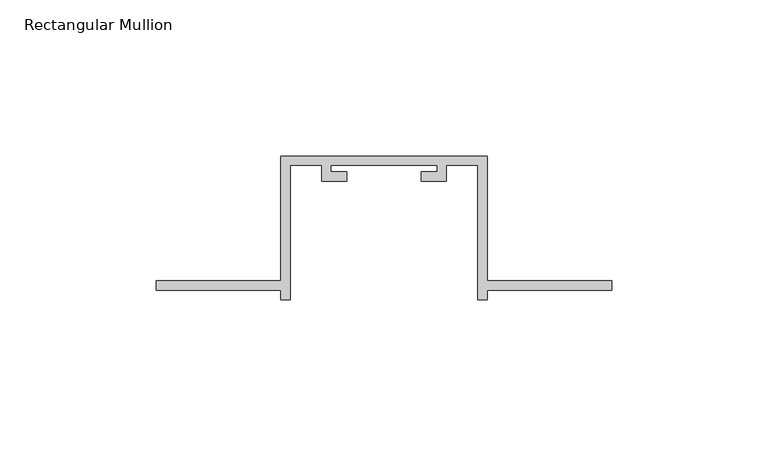
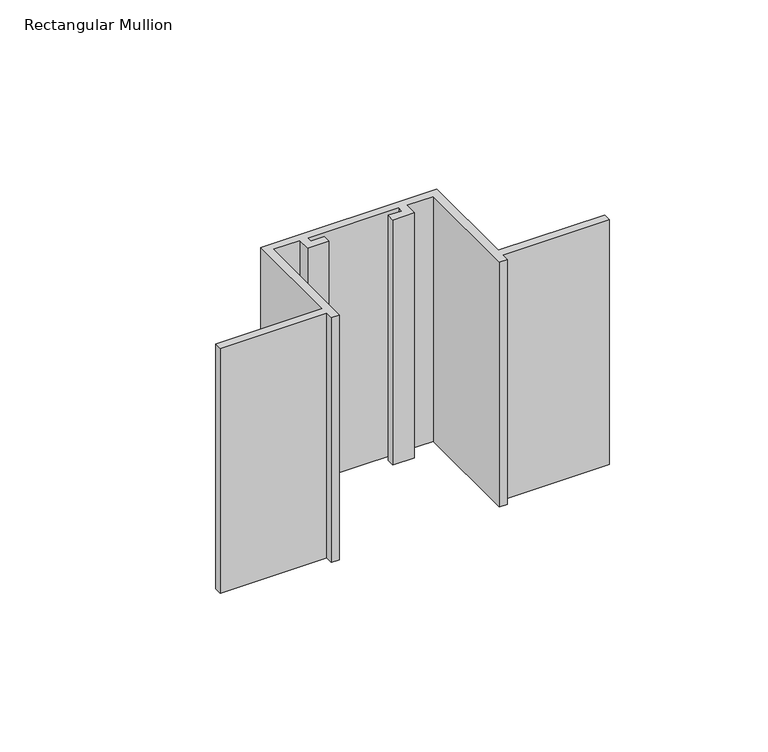
"""IFC4 building model written with IfcOpenShell, lengths in millimetres: member geometry, Rectangular Mullion."""

from ifc_helpers import new_model, si_unit, frame, origin, place, context, project, spatial, polyline, outline, extrude, source, transform, mapped, element, save


def rectangular_mullion_fe71d22a(model_context):
    return source(origin(), model_context, "Body", "SweptSolid", [
        extrude(outline(polyline([(-33.0, -132.0), (-73.0, -132.0), (-73.0, -129.0), (-33.0, -129.0), (-33.0, -89.0), (33.0, -89.0), (33.0, -129.0), (73.0, -129.0), (73.0, -132.0), (33.0, -132.0), (33.0, -135.0), (30.0, -135.0), (30.0, -92.0), (20.0, -92.0), (20.0, -97.0), (12.0, -97.0), (12.0, -94.0), (17.0, -94.0), (17.0, -92.0), (-17.0, -92.0), (-17.0, -94.0), (-12.0, -94.0), (-12.0, -97.0), (-20.0, -97.0), (-20.0, -92.0), (-30.0, -92.0), (-30.0, -135.0), (-33.0, -135.0), (-33.0, -132.0)])), frame((0.0, 0.0, -97.1692572), z_axis=(0.0, 0.0, 1.0), x_axis=(1.0, 0.0, 0.0)), (0.0, 0.0, 1.0), 97.1692572),
    ])


if __name__ == "__main__":
    model = new_model("IFC4")
    model_context = context("Model", 3, world=origin())
    ifc_project = project(units=[si_unit("LENGTHUNIT", "METRE", prefix="MILLI")], contexts=[model_context])
    site = spatial("IfcSite", under=ifc_project)
    building = spatial("IfcBuilding", under=site)
    placement = place(None, origin())
    rectangular_mullion_shape = rectangular_mullion_fe71d22a(model_context)
    element("IfcMember", 1, ObjectType="Rectangular Mullion", at=placement, inside=building, context=model_context, shape_type="MappedRepresentation", body=[
        mapped(rectangular_mullion_shape, transform((0.0, 0.0, 0.0), x_axis=(1.0, 0.0, 0.0), y_axis=(0.0, 1.0, 0.0), z_axis=(0.0, 0.0, 1.0))),
    ])
    save(model, "model.ifc")
